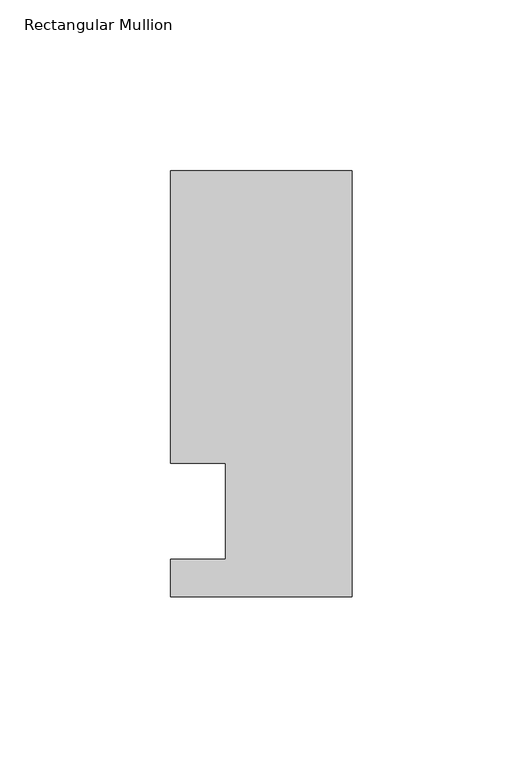
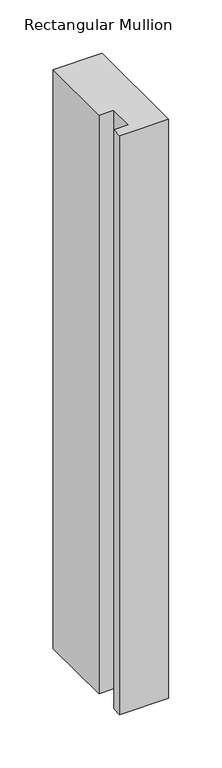
"""IFC4 building model written with IfcOpenShell, lengths in millimetres: member geometry, Rectangular Mullion."""

from ifc_helpers import new_model, si_unit, frame, origin, place, context, project, spatial, polyline, outline, extrude, source, transform, mapped, element, save


def rectangular_mullion_71add097(model_context):
    return source(origin(), model_context, "Body", "SweptSolid", [
        extrude(outline(polyline([(0.0, -25.0), (-53.0, -25.0), (-53.0, -14.0), (-37.0, -14.0), (-37.0, 14.0), (-53.0, 14.0), (-53.0, 99.5), (0.0, 99.5), (0.0, -25.0)])), frame((0.0, 0.0, -661.5615776), z_axis=(0.0, 0.0, 1.0), x_axis=(1.0, 0.0, 0.0)), (0.0, 0.0, 1.0), 661.5615776),
    ])


if __name__ == "__main__":
    model = new_model("IFC4")
    model_context = context("Model", 3, world=origin())
    ifc_project = project(units=[si_unit("LENGTHUNIT", "METRE", prefix="MILLI")], contexts=[model_context])
    site = spatial("IfcSite", under=ifc_project)
    building = spatial("IfcBuilding", under=site)
    placement = place(None, origin())
    rectangular_mullion_shape = rectangular_mullion_71add097(model_context)
    element("IfcMember", 1, ObjectType="Rectangular Mullion", at=placement, inside=building, context=model_context, shape_type="MappedRepresentation", body=[
        mapped(rectangular_mullion_shape, transform((0.0, 0.0, 0.0), x_axis=(1.0, 0.0, 0.0), y_axis=(0.0, 1.0, 0.0), z_axis=(0.0, 0.0, 1.0))),
    ])
    save(model, "model.ifc")
